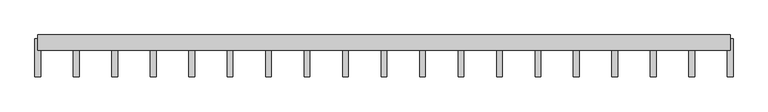
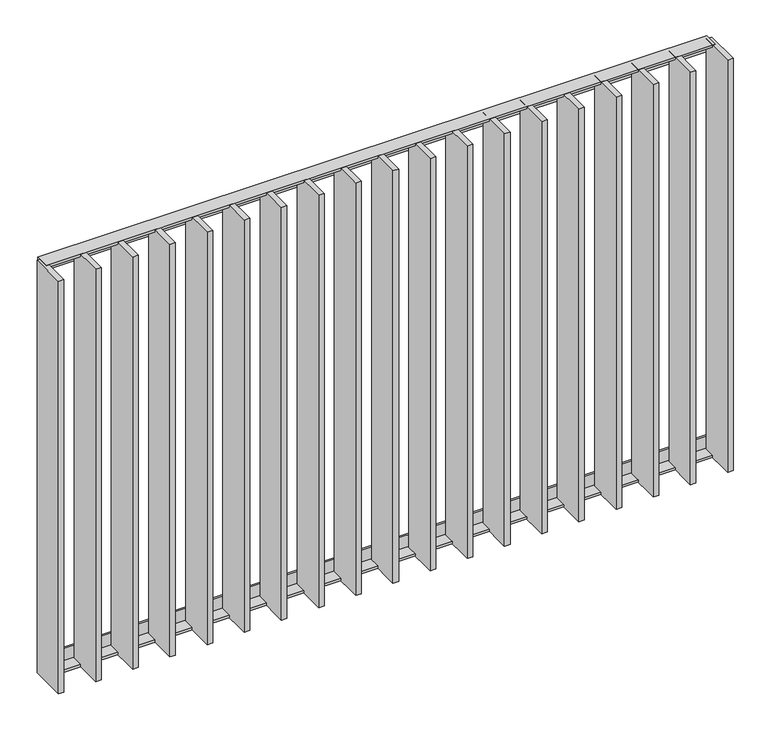
"""IFC4 building model written with IfcOpenShell, lengths in millimetres: railing geometry."""

from ifc_helpers import new_model, si_unit, frame, origin, place, context, project, spatial, polyline, outline, extrude, source, transform, mapped, element, save


def railing_f0a006bf(model_context):
    return source(origin(), model_context, "Body", "SweptSolid", [
        extrude(outline(polyline([(-14.0, 6.0), (20.0, 6.0), (20.0, 0.0), (-20.0, 0.0), (-20.0, 40.0), (-14.0, 40.0), (-14.0, 6.0)])), frame((27375.9325551, 6059.4012767, 8000.0), z_axis=(1.0, -2.5510195797315918e-12, 0.0), x_axis=(-2.5510195797315918e-12, -1.0, 0.0)), (0.0, 0.0, 1.0), 1810.0),
        extrude(outline(polyline([(-14.0, -6.0), (-14.0, -40.0), (-20.0, -40.0), (-20.0, 0.0), (20.0, 0.0), (20.0, -6.0), (-14.0, -6.0)])), frame((27375.9325551, 6059.4012767, 6820.0), z_axis=(1.0, -2.5510195797315918e-12, 0.0), x_axis=(-2.5510195797315918e-12, -1.0, 0.0)), (0.0, 0.0, 1.0), 1810.0),
        extrude(outline(polyline([(27483.9881106, 6069.4012767), (27483.9881106, 5969.4012767), (27468.9881106, 5969.4012767), (27468.9881106, 6069.4012767), (27483.9881106, 6069.4012767)])), frame((0.0, 0.0, 6819.9), z_axis=(0.0, 0.0, 1.0), x_axis=(1.0, 0.0, 0.0)), (0.0, 0.0, 1.0), 1180.2),
        extrude(outline(polyline([(27584.5436662, 6069.4012767), (27584.5436662, 5969.4012767), (27569.5436662, 5969.4012767), (27569.5436662, 6069.4012767), (27584.5436662, 6069.4012767)])), frame((0.0, 0.0, 6819.9), z_axis=(0.0, 0.0, 1.0), x_axis=(1.0, 0.0, 0.0)), (0.0, 0.0, 1.0), 1180.2),
        extrude(outline(polyline([(27685.0992217, 6069.4012767), (27685.0992217, 5969.4012767), (27670.0992217, 5969.4012767), (27670.0992217, 6069.4012767), (27685.0992217, 6069.4012767)])), frame((0.0, 0.0, 6819.9), z_axis=(0.0, 0.0, 1.0), x_axis=(1.0, 0.0, 0.0)), (0.0, 0.0, 1.0), 1180.2),
        extrude(outline(polyline([(27785.6547773, 6069.4012767), (27785.6547773, 5969.4012767), (27770.6547773, 5969.4012767), (27770.6547773, 6069.4012767), (27785.6547773, 6069.4012767)])), frame((0.0, 0.0, 6819.9), z_axis=(0.0, 0.0, 1.0), x_axis=(1.0, 0.0, 0.0)), (0.0, 0.0, 1.0), 1180.2),
        extrude(outline(polyline([(27886.2103329, 6069.4012767), (27886.2103329, 5969.4012767), (27871.2103329, 5969.4012767), (27871.2103329, 6069.4012767), (27886.2103329, 6069.4012767)])), frame((0.0, 0.0, 6819.9), z_axis=(0.0, 0.0, 1.0), x_axis=(1.0, 0.0, 0.0)), (0.0, 0.0, 1.0), 1180.2),
        extrude(outline(polyline([(27986.7658884, 6069.4012767), (27986.7658884, 5969.4012767), (27971.7658884, 5969.4012767), (27971.7658884, 6069.4012767), (27986.7658884, 6069.4012767)])), frame((0.0, 0.0, 6819.9), z_axis=(0.0, 0.0, 1.0), x_axis=(1.0, 0.0, 0.0)), (0.0, 0.0, 1.0), 1180.2),
        extrude(outline(polyline([(28087.321444, 6069.4012767), (28087.321444, 5969.4012767), (28072.321444, 5969.4012767), (28072.321444, 6069.4012767), (28087.321444, 6069.4012767)])), frame((0.0, 0.0, 6819.9), z_axis=(0.0, 0.0, 1.0), x_axis=(1.0, 0.0, 0.0)), (0.0, 0.0, 1.0), 1180.2),
        extrude(outline(polyline([(28187.8769995, 6069.4012767), (28187.8769995, 5969.4012767), (28172.8769995, 5969.4012767), (28172.8769995, 6069.4012767), (28187.8769995, 6069.4012767)])), frame((0.0, 0.0, 6819.9), z_axis=(0.0, 0.0, 1.0), x_axis=(1.0, 0.0, 0.0)), (0.0, 0.0, 1.0), 1180.2),
        extrude(outline(polyline([(28288.4325551, 6069.4012767), (28288.4325551, 5969.4012767), (28273.4325551, 5969.4012767), (28273.4325551, 6069.4012767), (28288.4325551, 6069.4012767)])), frame((0.0, 0.0, 6819.9), z_axis=(0.0, 0.0, 1.0), x_axis=(1.0, 0.0, 0.0)), (0.0, 0.0, 1.0), 1180.2),
        extrude(outline(polyline([(28388.9881106, 6069.4012767), (28388.9881106, 5969.4012767), (28373.9881106, 5969.4012767), (28373.9881106, 6069.4012767), (28388.9881106, 6069.4012767)])), frame((0.0, 0.0, 6819.9), z_axis=(0.0, 0.0, 1.0), x_axis=(1.0, 0.0, 0.0)), (0.0, 0.0, 1.0), 1180.2),
        extrude(outline(polyline([(28489.5436662, 6069.4012767), (28489.5436662, 5969.4012767), (28474.5436662, 5969.4012767), (28474.5436662, 6069.4012767), (28489.5436662, 6069.4012767)])), frame((0.0, 0.0, 6819.9), z_axis=(0.0, 0.0, 1.0), x_axis=(1.0, 0.0, 0.0)), (0.0, 0.0, 1.0), 1180.2),
        extrude(outline(polyline([(28590.0992217, 6069.4012767), (28590.0992217, 5969.4012767), (28575.0992217, 5969.4012767), (28575.0992217, 6069.4012767), (28590.0992217, 6069.4012767)])), frame((0.0, 0.0, 6819.9), z_axis=(0.0, 0.0, 1.0), x_axis=(1.0, 0.0, 0.0)), (0.0, 0.0, 1.0), 1180.2),
        extrude(outline(polyline([(28690.6547773, 6069.4012767), (28690.6547773, 5969.4012767), (28675.6547773, 5969.4012767), (28675.6547773, 6069.4012767), (28690.6547773, 6069.4012767)])), frame((0.0, 0.0, 6819.9), z_axis=(0.0, 0.0, 1.0), x_axis=(1.0, 0.0, 0.0)), (0.0, 0.0, 1.0), 1180.2),
        extrude(outline(polyline([(28791.2103329, 6069.4012767), (28791.2103329, 5969.4012767), (28776.2103329, 5969.4012767), (28776.2103329, 6069.4012767), (28791.2103329, 6069.4012767)])), frame((0.0, 0.0, 6819.9), z_axis=(0.0, 0.0, 1.0), x_axis=(1.0, 0.0, 0.0)), (0.0, 0.0, 1.0), 1180.2),
        extrude(outline(polyline([(28891.7658884, 6069.4012767), (28891.7658884, 5969.4012767), (28876.7658884, 5969.4012767), (28876.7658884, 6069.4012767), (28891.7658884, 6069.4012767)])), frame((0.0, 0.0, 6819.9), z_axis=(0.0, 0.0, 1.0), x_axis=(1.0, 0.0, 0.0)), (0.0, 0.0, 1.0), 1180.2),
        extrude(outline(polyline([(28992.321444, 6069.4012767), (28992.321444, 5969.4012767), (28977.321444, 5969.4012767), (28977.321444, 6069.4012767), (28992.321444, 6069.4012767)])), frame((0.0, 0.0, 6819.9), z_axis=(0.0, 0.0, 1.0), x_axis=(1.0, 0.0, 0.0)), (0.0, 0.0, 1.0), 1180.2),
        extrude(outline(polyline([(29092.8769995, 6069.4012767), (29092.8769995, 5969.4012767), (29077.8769995, 5969.4012767), (29077.8769995, 6069.4012767), (29092.8769995, 6069.4012767)])), frame((0.0, 0.0, 6819.9), z_axis=(0.0, 0.0, 1.0), x_axis=(1.0, 0.0, 0.0)), (0.0, 0.0, 1.0), 1180.2),
        extrude(outline(polyline([(27383.4325551, 6069.4012767), (27383.4325551, 5969.4012767), (27368.4325551, 5969.4012767), (27368.4325551, 6069.4012767), (27383.4325551, 6069.4012767)])), frame((0.0, 0.0, 6819.9), z_axis=(0.0, 0.0, 1.0), x_axis=(1.0, 0.0, 0.0)), (0.0, 0.0, 1.0), 1180.2),
        extrude(outline(polyline([(29193.4325551, 6069.4012767), (29193.4325551, 5969.4012767), (29178.4325551, 5969.4012767), (29178.4325551, 6069.4012767), (29193.4325551, 6069.4012767)])), frame((0.0, 0.0, 6819.9), z_axis=(0.0, 0.0, 1.0), x_axis=(1.0, 0.0, 0.0)), (0.0, 0.0, 1.0), 1180.2),
    ])


if __name__ == "__main__":
    model = new_model("IFC4")
    model_context = context("Model", 3, world=origin())
    ifc_project = project(units=[si_unit("LENGTHUNIT", "METRE", prefix="MILLI")], contexts=[model_context])
    site = spatial("IfcSite", under=ifc_project)
    building = spatial("IfcBuilding", under=site)
    placement = place(None, origin())
    railing_shape = railing_f0a006bf(model_context)
    element("IfcRailing", 1, at=placement, inside=building, context=model_context, shape_type="MappedRepresentation", body=[
        mapped(railing_shape, transform((0.0, 0.0, 0.0), x_axis=(1.0, 0.0, 0.0), y_axis=(0.0, 1.0, 0.0), z_axis=(0.0, 0.0, 1.0))),
    ])
    save(model, "model.ifc")
